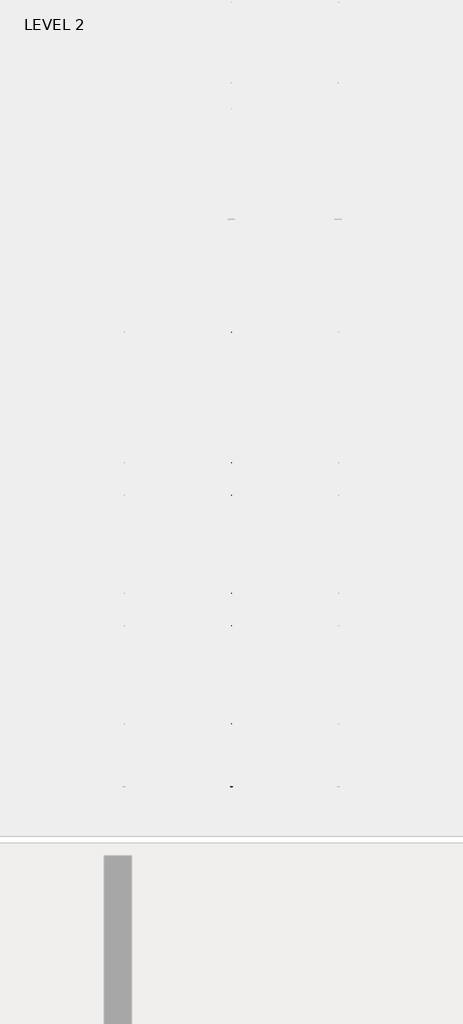
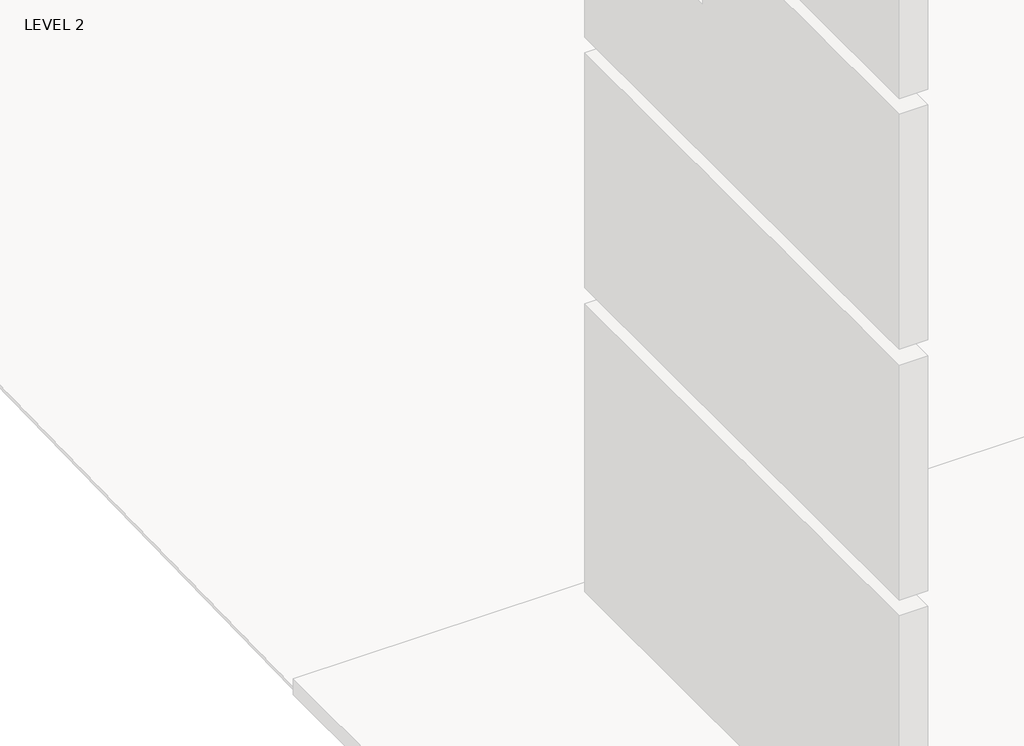
# One storey, part 8 of 67: 1 beam.
"""IFC4 building model written with IfcOpenShell, lengths in millimetres."""

from ifc_helpers import new_model, si_unit, frame, origin, place, context, project, spatial, polyline, outline, extrude, faceted_brep, element, save

model = new_model("IFC4")

# Units and contexts
model_context = context("Model", 3, world=origin())
ifc_project = project(units=[si_unit("LENGTHUNIT", "METRE", prefix="MILLI")], contexts=[model_context])

# Site, building, storey
site = spatial("IfcSite", under=ifc_project)
building = spatial("IfcBuilding", under=site)
storey = spatial("IfcBuildingStorey", under=building, Name="LEVEL 2", Elevation=6908.8)

# Beam
placement = place(None, origin())
element("IfcBeam", 1, ObjectType="K-Series Bar Joist-Angle Web : 12K3", at=placement, inside=storey, context=model_context, shape_type="SolidModel", body=[
    extrude(outline(polyline([(0.0, -9.525), (0.0, 0.0), (573.7533355, 0.0), (573.7533355, -9.525), (0.0, -9.525)])), frame((10027.4814942, -8385.0033276, 6286.2349986), z_axis=(0.0, -0.4812069235889801, 0.8766070366418636), x_axis=(0.0, -0.8766070366418636, -0.4812069235889801)), (0.0, 0.0, 1.0), 9.525),
    extrude(outline(polyline([(0.0, -9.525), (0.0, 0.0), (573.7533354, 0.0), (573.7533354, -9.525), (0.0, -9.525)])), frame((10017.9564942, -14433.5862351, 6173.8151677), z_axis=(0.0, 0.4483003415562167, 0.893882992209036), x_axis=(0.0, 0.893882992209036, -0.4483003415562167)), (0.0, 0.0, 1.0), 9.525),
    extrude(outline(polyline([(4.7625, 4.7625), (4.7625, -4.7625), (-4.7625, -4.7625), (-4.7625, 4.7625), (4.7625, 4.7625)])), frame((10022.7189942, -8890.2512868, 6014.3157621), z_axis=(0.0, 0.5430905498056039, 0.8396741360264987), x_axis=(-1.0, 0.0, 0.0)), (0.0, 0.0, 1.0), 321.5434366),
    extrude(outline(polyline([(4.7625, 4.7625), (4.7625, -4.7625), (-4.7625, -4.7625), (-4.7625, 4.7625), (4.7625, 4.7625)])), frame((10022.7189942, -13918.5828564, 5920.8584692), z_axis=(0.0, -0.5739172935728084, 0.8189132677750818), x_axis=(-1.0, 0.0, 0.0)), (0.0, 0.0, 1.0), 321.5434366),
    extrude(outline(polyline([(0.0, 0.0), (31.75, 0.0), (31.75, -6.35), (6.35, -6.35), (6.35, -31.75), (0.0, -31.75), (0.0, 0.0)])), frame((10027.4814942, -14020.0473107, 5912.6215396), z_axis=(0.0, 0.999827322368488, 0.018582934253221987), x_axis=(1.0, 0.0, 0.0)), (0.0, 0.0, 1.0), 5232.4),
    extrude(outline(polyline([(-9.525, 0.0), (-9.525, -31.75), (-15.875, -31.75), (-15.875, -6.35), (-41.275, -6.35), (-41.275, 0.0), (-9.525, 0.0)])), frame((10027.4814942, -14020.0473107, 5912.6215396), z_axis=(0.0, 0.999827322368488, 0.018582934253221987), x_axis=(1.0, 0.0, 0.0)), (0.0, 0.0, 1.0), 5232.4),
    extrude(outline(polyline([(-31.75, 0.0), (0.0, 0.0), (0.0, -6.35), (-25.4, -6.35), (-25.4, -31.75), (-31.75, -31.75), (-31.75, 0.0)])), frame((10059.2314942, -14532.4436525, 6144.4397419), z_axis=(0.0, 0.999827322368488, 0.018582934253221987), x_axis=(1.0, 0.0, 0.0)), (0.0, 0.0, 1.0), 101.6),
    extrude(outline(polyline([(-41.275, 0.0), (-41.275, -31.75), (-47.625, -31.75), (-47.625, -6.35), (-73.025, -6.35), (-73.025, 0.0), (-41.275, 0.0)])), frame((10059.2314942, -14532.4436525, 6144.4397419), z_axis=(0.0, 0.999827322368488, 0.018582934253221987), x_axis=(1.0, 0.0, 0.0)), (0.0, 0.0, 1.0), 101.6),
    extrude(outline(polyline([(0.0, 0.0), (31.75, 0.0), (31.75, -6.35), (6.35, -6.35), (6.35, -31.75), (0.0, -31.75), (0.0, 0.0)])), frame((10017.9564942, -8386.7050674, 6258.6653221), z_axis=(0.0, 0.999827322368488, 0.018582934253221987), x_axis=(0.0, -0.018582934253221987, 0.999827322368488)), (0.0, 0.0, 1.0), 101.6),
    extrude(outline(polyline([(0.0, 41.275), (6.35, 41.275), (6.35, 15.875), (31.75, 15.875), (31.75, 9.525), (0.0, 9.525), (0.0, 41.275)])), frame((10017.9564942, -8386.7050674, 6258.6653221), z_axis=(0.0, 0.999827322368488, 0.018582934253221987), x_axis=(0.0, -0.018582934253221987, 0.999827322368488)), (0.0, 0.0, 1.0), 101.6),
    extrude(outline(polyline([(0.0, 0.0), (31.7499999, 0.0), (31.7499999, -6.35), (6.35, -6.35), (6.35, -31.75), (0.0, -31.75), (0.0, 0.0)])), frame((10027.4814942, -14533.6236689, 6207.9287768), z_axis=(0.0, 0.999827322368488, 0.018582934253221987), x_axis=(0.0, 0.018582934253221987, -0.999827322368488)), (0.0, 0.0, 1.0), 6248.4),
    extrude(outline(polyline([(0.0, 9.525), (0.0, 41.275), (6.35, 41.275), (6.35, 15.875), (31.7499999, 15.875), (31.7499999, 9.525), (0.0, 9.525)])), frame((10027.4814942, -14533.6236689, 6207.9287768), z_axis=(0.0, 0.999827322368488, 0.018582934253221987), x_axis=(0.0, 0.018582934253221987, -0.999827322368488)), (0.0, 0.0, 1.0), 6248.4),
    faceted_brep([(10022.7189942, -8890.5462908, 6030.1880209), (10022.7189942, -8890.1922859, 6011.1413104), (10017.9564942, -8890.1922859, 6011.1413104), (10017.9564942, -8890.5462908, 6030.1880209), (10022.7189942, -8891.4911325, 6030.1704599), (10022.7189942, -9063.5686677, 6306.4204566), (10022.7189942, -9081.6705365, 6306.0840127), (10022.7189942, -9081.3165316, 6287.0373022), (10022.7189942, -9074.0227864, 6287.1728648), (10022.7189942, -8901.9452513, 6010.9228681), (10017.9564942, -8901.9452513, 6010.9228681), (10017.9564942, -8923.4549432, 6045.4541177), (10017.9564942, -8919.4125498, 6047.9721452), (10017.9564942, -9060.2032604, 6273.9948697), (10017.9564942, -9064.2456538, 6271.4768422), (10017.9564942, -9074.0227864, 6287.1728648), (10017.9564942, -9081.3165316, 6287.0373022), (10017.9564942, -9081.6705365, 6306.0840127), (10017.9564942, -9063.5686677, 6306.4204566), (10017.9564942, -8891.4911325, 6030.1704599), (10005.2564942, -9064.2456538, 6271.4768422), (10005.2564942, -8923.4549432, 6045.4541177), (10005.2564942, -8919.4125498, 6047.9721452), (10005.2564942, -9060.2032604, 6273.9948697)], [[[0, 1, 2, 3]], [[1, 0, 4, 5, 6, 7, 8, 9]], [[2, 1, 9, 10]], [[3, 2, 10, 11, 12, 13, 14, 15, 16, 17, 18, 19]], [[0, 3, 19, 4]], [[9, 8, 15, 14, 20, 21, 11, 10]], [[5, 4, 19, 18]], [[7, 6, 17, 16]], [[8, 7, 16, 15]], [[6, 5, 18, 17]], [[21, 22, 12, 11]], [[20, 14, 13, 23]], [[22, 21, 20, 23]], [[12, 22, 23, 13]]]),
    extrude(outline(polyline([(-9249.3588266, 6004.4657895), (-9249.7128315, 6023.5125), (-9248.7679898, 6023.5300609), (-9087.0745983, 6305.983572), (-9068.9727295, 6306.3200159), (-9068.6187246, 6287.2733054), (-9075.9124698, 6287.1377428), (-9237.6058613, 6004.6842318), (-9249.3588266, 6004.4657895)])), frame((10022.7189942, 0.0, 0.0), z_axis=(1.0, 0.0, 0.0), x_axis=(0.0, 1.0, 0.0)), (0.0, 0.0, 1.0), 4.7625),
    extrude(outline(polyline([(-4.7625, 4.7624999), (-4.7625, 0.0), (-17.4625, 0.0), (-17.4625, 4.7624999), (-4.7625, 4.7624999)])), frame((10022.7189942, -9217.3941874, 6039.9909207), z_axis=(0.0, 0.49681370722983265, 0.8678572119355523), x_axis=(-1.0, 0.0, 0.0)), (0.0, 0.0, 1.0), 266.2861172),
    faceted_brep([(10022.7189942, -13559.7113198, 5943.4062489), (10022.7189942, -13559.3573149, 5924.3595384), (10017.9564942, -13559.3573149, 5924.3595384), (10017.9564942, -13559.7113198, 5943.4062489), (10022.7189942, -13560.6561615, 5943.3886879), (10022.7189942, -13732.7336967, 6219.6386846), (10022.7189942, -13750.8355655, 6219.3022406), (10022.7189942, -13750.4815606, 6200.2555302), (10022.7189942, -13743.1878154, 6200.3910927), (10022.7189942, -13571.1102802, 5924.1410961), (10017.9564942, -13571.1102802, 5924.1410961), (10017.9564942, -13592.6199721, 5958.6723457), (10017.9564942, -13588.5775788, 5961.1903731), (10017.9564942, -13729.3682894, 6187.2130977), (10017.9564942, -13733.4106827, 6184.6950702), (10017.9564942, -13743.1878154, 6200.3910927), (10017.9564942, -13750.4815606, 6200.2555302), (10017.9564942, -13750.8355655, 6219.3022406), (10017.9564942, -13732.7336967, 6219.6386846), (10017.9564942, -13560.6561615, 5943.3886879), (10005.2564942, -13733.4106827, 6184.6950702), (10005.2564942, -13592.6199721, 5958.6723457), (10005.2564942, -13588.5775788, 5961.1903731), (10005.2564942, -13729.3682894, 6187.2130977)], [[[0, 1, 2, 3]], [[1, 0, 4, 5, 6, 7, 8, 9]], [[2, 1, 9, 10]], [[3, 2, 10, 11, 12, 13, 14, 15, 16, 17, 18, 19]], [[0, 3, 19, 4]], [[9, 8, 15, 14, 20, 21, 11, 10]], [[5, 4, 19, 18]], [[7, 6, 17, 16]], [[8, 7, 16, 15]], [[6, 5, 18, 17]], [[21, 22, 12, 11]], [[20, 14, 13, 23]], [[22, 21, 20, 23]], [[12, 22, 23, 13]]]),
    extrude(outline(polyline([(-13918.5238556, 5917.6840175), (-13918.8778605, 5936.7307279), (-13917.9330188, 5936.7482889), (-13756.2396273, 6219.2018), (-13738.1377585, 6219.5382439), (-13737.7837536, 6200.4915334), (-13745.0774988, 6200.3559708), (-13906.7708903, 5917.9024598), (-13918.5238556, 5917.6840175)])), frame((10022.7189942, 0.0, 0.0), z_axis=(1.0, 0.0, 0.0), x_axis=(0.0, 1.0, 0.0)), (0.0, 0.0, 1.0), 4.7625),
    extrude(outline(polyline([(-4.7625, 4.7625), (-4.7625, 0.0), (-17.4625, 0.0), (-17.4625, 4.7625), (-4.7625, 4.7625)])), frame((10022.7189942, -13886.5592163, 5953.2091486), z_axis=(0.0, 0.49681370722983265, 0.8678572119355523), x_axis=(-1.0, 0.0, 0.0)), (0.0, 0.0, 1.0), 266.2861172),
    faceted_brep([(10022.7189942, -9249.7128315, 6023.5125), (10022.7189942, -9249.3588266, 6004.4657895), (10017.9564942, -9249.3588266, 6004.4657895), (10017.9564942, -9249.7128315, 6023.5125), (10022.7189942, -9250.6576732, 6023.494939), (10022.7189942, -9422.7352084, 6299.7449357), (10022.7189942, -9440.8370772, 6299.4084917), (10022.7189942, -9440.4830723, 6280.3617813), (10022.7189942, -9433.1893271, 6280.4973438), (10022.7189942, -9261.1117919, 6004.2473472), (10017.9564942, -9261.1117919, 6004.2473472), (10017.9564942, -9282.6214838, 6038.7785968), (10017.9564942, -9278.5790905, 6041.2966242), (10017.9564942, -9419.3698011, 6267.3193488), (10017.9564942, -9423.4121944, 6264.8013213), (10017.9564942, -9433.1893271, 6280.4973438), (10017.9564942, -9440.4830723, 6280.3617813), (10017.9564942, -9440.8370772, 6299.4084917), (10017.9564942, -9422.7352084, 6299.7449357), (10017.9564942, -9250.6576732, 6023.494939), (10005.2564942, -9423.4121944, 6264.8013213), (10005.2564942, -9282.6214838, 6038.7785968), (10005.2564942, -9278.5790905, 6041.2966242), (10005.2564942, -9419.3698011, 6267.3193488)], [[[0, 1, 2, 3]], [[1, 0, 4, 5, 6, 7, 8, 9]], [[2, 1, 9, 10]], [[3, 2, 10, 11, 12, 13, 14, 15, 16, 17, 18, 19]], [[0, 3, 19, 4]], [[9, 8, 15, 14, 20, 21, 11, 10]], [[5, 4, 19, 18]], [[7, 6, 17, 16]], [[8, 7, 16, 15]], [[6, 5, 18, 17]], [[21, 22, 12, 11]], [[20, 14, 13, 23]], [[22, 21, 20, 23]], [[12, 22, 23, 13]]]),
    extrude(outline(polyline([(-9608.5253673, 5997.7902686), (-9608.8793722, 6016.836979), (-9607.9345305, 6016.85454), (-9446.241139, 6299.3080511), (-9428.1392702, 6299.644495), (-9427.7852653, 6280.5977845), (-9435.0790105, 6280.4622219), (-9596.772402, 5998.0087109), (-9608.5253673, 5997.7902686)])), frame((10022.7189942, 0.0, 0.0), z_axis=(1.0, 0.0, 0.0), x_axis=(0.0, 1.0, 0.0)), (0.0, 0.0, 1.0), 4.7625),
    extrude(outline(polyline([(-4.7625, 4.7624999), (-4.7625, 0.0), (-17.4625, 0.0), (-17.4625, 4.7624999), (-4.7625, 4.7624999)])), frame((10022.7189942, -9576.5607281, 6033.3153997), z_axis=(0.0, 0.49681370722983265, 0.8678572119355523), x_axis=(-1.0, 0.0, 0.0)), (0.0, 0.0, 1.0), 266.2861172),
    faceted_brep([(10022.7189942, -9608.8793722, 6016.836979), (10022.7189942, -9608.5253673, 5997.7902686), (10017.9564942, -9608.5253673, 5997.7902686), (10017.9564942, -9608.8793722, 6016.836979), (10022.7189942, -9609.8242139, 6016.8194181), (10022.7189942, -9781.9017491, 6293.0694148), (10022.7189942, -9800.0036179, 6292.7329708), (10022.7189942, -9799.649613, 6273.6862603), (10022.7189942, -9792.3558678, 6273.8218229), (10022.7189942, -9620.2783326, 5997.5718262), (10017.9564942, -9620.2783326, 5997.5718262), (10017.9564942, -9641.7880245, 6032.1030758), (10017.9564942, -9637.7456312, 6034.6211033), (10017.9564942, -9778.5363418, 6260.6438279), (10017.9564942, -9782.5787351, 6258.1258004), (10017.9564942, -9792.3558678, 6273.8218229), (10017.9564942, -9799.649613, 6273.6862603), (10017.9564942, -9800.0036179, 6292.7329708), (10017.9564942, -9781.9017491, 6293.0694148), (10017.9564942, -9609.8242139, 6016.8194181), (10005.2564942, -9782.5787351, 6258.1258004), (10005.2564942, -9641.7880245, 6032.1030758), (10005.2564942, -9637.7456312, 6034.6211033), (10005.2564942, -9778.5363418, 6260.6438279)], [[[0, 1, 2, 3]], [[1, 0, 4, 5, 6, 7, 8, 9]], [[2, 1, 9, 10]], [[3, 2, 10, 11, 12, 13, 14, 15, 16, 17, 18, 19]], [[0, 3, 19, 4]], [[9, 8, 15, 14, 20, 21, 11, 10]], [[5, 4, 19, 18]], [[7, 6, 17, 16]], [[8, 7, 16, 15]], [[6, 5, 18, 17]], [[21, 22, 12, 11]], [[20, 14, 13, 23]], [[22, 21, 20, 23]], [[12, 22, 23, 13]]]),
    extrude(outline(polyline([(-9967.691908, 5991.1147476), (-9968.0459129, 6010.1614581), (-9967.1010712, 6010.1790191), (-9805.4076797, 6292.6325301), (-9787.3058109, 6292.9689741), (-9786.951806, 6273.9222636), (-9794.2455512, 6273.786701), (-9955.9389427, 5991.3331899), (-9967.691908, 5991.1147476)])), frame((10022.7189942, 0.0, 0.0), z_axis=(1.0, 0.0, 0.0), x_axis=(0.0, 1.0, 0.0)), (0.0, 0.0, 1.0), 4.7625),
    extrude(outline(polyline([(-4.7625, 4.7625), (-4.7625, 0.0), (-17.4625, 0.0), (-17.4625, 4.7625), (-4.7625, 4.7625)])), frame((10022.7189942, -9935.7272687, 6026.6398788), z_axis=(0.0, 0.49681370722983265, 0.8678572119355523), x_axis=(-1.0, 0.0, 0.0)), (0.0, 0.0, 1.0), 266.2861172),
    faceted_brep([(10022.7189942, -9968.0459129, 6010.1614581), (10022.7189942, -9967.691908, 5991.1147476), (10017.9564942, -9967.691908, 5991.1147476), (10017.9564942, -9968.0459129, 6010.1614581), (10022.7189942, -9968.9907546, 6010.1438972), (10022.7189942, -10141.0682898, 6286.3938938), (10022.7189942, -10159.1701586, 6286.0574499), (10022.7189942, -10158.8161537, 6267.0107394), (10022.7189942, -10151.5224085, 6267.146302), (10022.7189942, -9979.4448733, 5990.8963053), (10017.9564942, -9979.4448733, 5990.8963053), (10017.9564942, -10000.9545652, 6025.4275549), (10017.9564942, -9996.9121719, 6027.9455824), (10017.9564942, -10137.7028825, 6253.9683069), (10017.9564942, -10141.7452758, 6251.4502795), (10017.9564942, -10151.5224085, 6267.146302), (10017.9564942, -10158.8161537, 6267.0107394), (10017.9564942, -10159.1701586, 6286.0574499), (10017.9564942, -10141.0682898, 6286.3938938), (10017.9564942, -9968.9907546, 6010.1438972), (10005.2564942, -10141.7452758, 6251.4502795), (10005.2564942, -10000.9545652, 6025.4275549), (10005.2564942, -9996.9121719, 6027.9455824), (10005.2564942, -10137.7028825, 6253.9683069)], [[[0, 1, 2, 3]], [[1, 0, 4, 5, 6, 7, 8, 9]], [[2, 1, 9, 10]], [[3, 2, 10, 11, 12, 13, 14, 15, 16, 17, 18, 19]], [[0, 3, 19, 4]], [[9, 8, 15, 14, 20, 21, 11, 10]], [[5, 4, 19, 18]], [[7, 6, 17, 16]], [[8, 7, 16, 15]], [[6, 5, 18, 17]], [[21, 22, 12, 11]], [[20, 14, 13, 23]], [[22, 21, 20, 23]], [[12, 22, 23, 13]]]),
    extrude(outline(polyline([(-10326.8584487, 5984.4392267), (-10327.2124536, 6003.4859372), (-10326.2676119, 6003.5034982), (-10164.5742204, 6285.9570092), (-10146.4723516, 6286.2934532), (-10146.1183467, 6267.2467427), (-10153.4120919, 6267.1111801), (-10315.1054834, 5984.657669), (-10326.8584487, 5984.4392267)])), frame((10022.7189942, 0.0, 0.0), z_axis=(1.0, 0.0, 0.0), x_axis=(0.0, 1.0, 0.0)), (0.0, 0.0, 1.0), 4.7625),
    extrude(outline(polyline([(-4.7625, 4.7625), (-4.7625, 0.0), (-17.4625, 0.0), (-17.4625, 4.7625), (-4.7625, 4.7625)])), frame((10022.7189942, -10294.8938094, 6019.9643579), z_axis=(0.0, 0.49681370722983265, 0.8678572119355523), x_axis=(-1.0, 0.0, 0.0)), (0.0, 0.0, 1.0), 266.2861172),
    faceted_brep([(10022.7189942, -10327.2124536, 6003.4859372), (10022.7189942, -10326.8584487, 5984.4392267), (10017.9564942, -10326.8584487, 5984.4392267), (10017.9564942, -10327.2124536, 6003.4859372), (10022.7189942, -10328.1572953, 6003.4683762), (10022.7189942, -10500.2348305, 6279.7183729), (10022.7189942, -10518.3366993, 6279.381929), (10022.7189942, -10517.9826944, 6260.3352185), (10022.7189942, -10510.6889492, 6260.4707811), (10022.7189942, -10338.611414, 5984.2207844), (10017.9564942, -10338.611414, 5984.2207844), (10017.9564942, -10360.1211059, 6018.752034), (10017.9564942, -10356.0787126, 6021.2700615), (10017.9564942, -10496.8694232, 6247.292786), (10017.9564942, -10500.9118165, 6244.7747585), (10017.9564942, -10510.6889492, 6260.4707811), (10017.9564942, -10517.9826944, 6260.3352185), (10017.9564942, -10518.3366993, 6279.381929), (10017.9564942, -10500.2348305, 6279.7183729), (10017.9564942, -10328.1572953, 6003.4683762), (10005.2564942, -10500.9118165, 6244.7747585), (10005.2564942, -10360.1211059, 6018.752034), (10005.2564942, -10356.0787126, 6021.2700615), (10005.2564942, -10496.8694232, 6247.292786)], [[[0, 1, 2, 3]], [[1, 0, 4, 5, 6, 7, 8, 9]], [[2, 1, 9, 10]], [[3, 2, 10, 11, 12, 13, 14, 15, 16, 17, 18, 19]], [[0, 3, 19, 4]], [[9, 8, 15, 14, 20, 21, 11, 10]], [[5, 4, 19, 18]], [[7, 6, 17, 16]], [[8, 7, 16, 15]], [[6, 5, 18, 17]], [[21, 22, 12, 11]], [[20, 14, 13, 23]], [[22, 21, 20, 23]], [[12, 22, 23, 13]]]),
    extrude(outline(polyline([(-10686.0249894, 5977.7637058), (-10686.3789943, 5996.8104163), (-10685.4341526, 5996.8279772), (-10523.7407611, 6279.2814883), (-10505.6388923, 6279.6179322), (-10505.2848874, 6260.5712217), (-10512.5786325, 6260.4356591), (-10674.2720241, 5977.9821481), (-10686.0249894, 5977.7637058)])), frame((10022.7189942, 0.0, 0.0), z_axis=(1.0, 0.0, 0.0), x_axis=(0.0, 1.0, 0.0)), (0.0, 0.0, 1.0), 4.7625),
    extrude(outline(polyline([(-4.7625, 4.7625), (-4.7625, 0.0), (-17.4625, 0.0), (-17.4625, 4.7625), (-4.7625, 4.7625)])), frame((10022.7189942, -10654.0603501, 6013.288837), z_axis=(0.0, 0.49681370722983265, 0.8678572119355523), x_axis=(-1.0, 0.0, 0.0)), (0.0, 0.0, 1.0), 266.2861172),
    faceted_brep([(10022.7189942, -10686.3789943, 5996.8104163), (10022.7189942, -10686.0249894, 5977.7637058), (10017.9564942, -10686.0249894, 5977.7637058), (10017.9564942, -10686.3789943, 5996.8104163), (10022.7189942, -10687.323836, 5996.7928553), (10022.7189942, -10859.4013711, 6273.042852), (10022.7189942, -10877.50324, 6272.706408), (10022.7189942, -10877.1492351, 6253.6596976), (10022.7189942, -10869.8554899, 6253.7952601), (10022.7189942, -10697.7779547, 5977.5452635), (10017.9564942, -10697.7779547, 5977.5452635), (10017.9564942, -10719.2876466, 6012.0765131), (10017.9564942, -10715.2452533, 6014.5945405), (10017.9564942, -10856.0359639, 6240.6172651), (10017.9564942, -10860.0783572, 6238.0992376), (10017.9564942, -10869.8554899, 6253.7952601), (10017.9564942, -10877.1492351, 6253.6596976), (10017.9564942, -10877.50324, 6272.706408), (10017.9564942, -10859.4013711, 6273.042852), (10017.9564942, -10687.323836, 5996.7928553), (10005.2564942, -10860.0783572, 6238.0992376), (10005.2564942, -10719.2876466, 6012.0765131), (10005.2564942, -10715.2452533, 6014.5945405), (10005.2564942, -10856.0359639, 6240.6172651)], [[[0, 1, 2, 3]], [[1, 0, 4, 5, 6, 7, 8, 9]], [[2, 1, 9, 10]], [[3, 2, 10, 11, 12, 13, 14, 15, 16, 17, 18, 19]], [[0, 3, 19, 4]], [[9, 8, 15, 14, 20, 21, 11, 10]], [[5, 4, 19, 18]], [[7, 6, 17, 16]], [[8, 7, 16, 15]], [[6, 5, 18, 17]], [[21, 22, 12, 11]], [[20, 14, 13, 23]], [[22, 21, 20, 23]], [[12, 22, 23, 13]]]),
    extrude(outline(polyline([(-11045.1915301, 5971.0881849), (-11045.545535, 5990.1348953), (-11044.6006933, 5990.1524563), (-10882.9073018, 6272.6059674), (-10864.805433, 6272.9424113), (-10864.4514281, 6253.8957008), (-10871.7451732, 6253.7601382), (-11033.4385648, 5971.3066272), (-11045.1915301, 5971.0881849)])), frame((10022.7189942, 0.0, 0.0), z_axis=(1.0, 0.0, 0.0), x_axis=(0.0, 1.0, 0.0)), (0.0, 0.0, 1.0), 4.7625),
    extrude(outline(polyline([(-4.7625, 4.7625), (-4.7625, 0.0), (-17.4625, 0.0), (-17.4625, 4.7625), (-4.7625, 4.7625)])), frame((10022.7189942, -11013.2268908, 6006.613316), z_axis=(0.0, 0.49681370722983265, 0.8678572119355523), x_axis=(-1.0, 0.0, 0.0)), (0.0, 0.0, 1.0), 266.2861172),
    faceted_brep([(10022.7189942, -11045.545535, 5990.1348953), (10022.7189942, -11045.1915301, 5971.0881849), (10017.9564942, -11045.1915301, 5971.0881849), (10017.9564942, -11045.545535, 5990.1348953), (10022.7189942, -11046.4903766, 5990.1173344), (10022.7189942, -11218.5679118, 6266.3673311), (10022.7189942, -11236.6697806, 6266.0308871), (10022.7189942, -11236.3157757, 6246.9841766), (10022.7189942, -11229.0220306, 6247.1197392), (10022.7189942, -11056.9444954, 5970.8697426), (10017.9564942, -11056.9444954, 5970.8697426), (10017.9564942, -11078.4541873, 6005.4009921), (10017.9564942, -11074.411794, 6007.9190196), (10017.9564942, -11215.2025046, 6233.9417442), (10017.9564942, -11219.2448979, 6231.4237167), (10017.9564942, -11229.0220306, 6247.1197392), (10017.9564942, -11236.3157757, 6246.9841766), (10017.9564942, -11236.6697806, 6266.0308871), (10017.9564942, -11218.5679118, 6266.3673311), (10017.9564942, -11046.4903766, 5990.1173344), (10005.2564942, -11219.2448979, 6231.4237167), (10005.2564942, -11078.4541873, 6005.4009921), (10005.2564942, -11074.411794, 6007.9190196), (10005.2564942, -11215.2025046, 6233.9417442)], [[[0, 1, 2, 3]], [[1, 0, 4, 5, 6, 7, 8, 9]], [[2, 1, 9, 10]], [[3, 2, 10, 11, 12, 13, 14, 15, 16, 17, 18, 19]], [[0, 3, 19, 4]], [[9, 8, 15, 14, 20, 21, 11, 10]], [[5, 4, 19, 18]], [[7, 6, 17, 16]], [[8, 7, 16, 15]], [[6, 5, 18, 17]], [[21, 22, 12, 11]], [[20, 14, 13, 23]], [[22, 21, 20, 23]], [[12, 22, 23, 13]]]),
    extrude(outline(polyline([(-11404.3580708, 5964.4126639), (-11404.7120757, 5983.4593744), (-11403.767234, 5983.4769354), (-11242.0738425, 6265.9304464), (-11223.9719737, 6266.2668904), (-11223.6179688, 6247.2201799), (-11230.9117139, 6247.0846173), (-11392.6051054, 5964.6311062), (-11404.3580708, 5964.4126639)])), frame((10022.7189942, 0.0, 0.0), z_axis=(1.0, 0.0, 0.0), x_axis=(0.0, 1.0, 0.0)), (0.0, 0.0, 1.0), 4.7625),
    extrude(outline(polyline([(-4.7625, 4.7625), (-4.7625, 0.0), (-17.4625, 0.0), (-17.4625, 4.7625), (-4.7625, 4.7625)])), frame((10022.7189942, -11372.3934315, 5999.9377951), z_axis=(0.0, 0.49681370722983265, 0.8678572119355523), x_axis=(-1.0, 0.0, 0.0)), (0.0, 0.0, 1.0), 266.2861172),
    faceted_brep([(10022.7189942, -11404.7120757, 5983.4593744), (10022.7189942, -11404.3580708, 5964.4126639), (10017.9564942, -11404.3580708, 5964.4126639), (10017.9564942, -11404.7120757, 5983.4593744), (10022.7189942, -11405.6569173, 5983.4418135), (10022.7189942, -11577.7344525, 6259.6918101), (10022.7189942, -11595.8363213, 6259.3553662), (10022.7189942, -11595.4823164, 6240.3086557), (10022.7189942, -11588.1885713, 6240.4442183), (10022.7189942, -11416.1110361, 5964.1942216), (10017.9564942, -11416.1110361, 5964.1942216), (10017.9564942, -11437.620728, 5998.7254712), (10017.9564942, -11433.5783346, 6001.2434987), (10017.9564942, -11574.3690452, 6227.2662232), (10017.9564942, -11578.4114386, 6224.7481958), (10017.9564942, -11588.1885713, 6240.4442183), (10017.9564942, -11595.4823164, 6240.3086557), (10017.9564942, -11595.8363213, 6259.3553662), (10017.9564942, -11577.7344525, 6259.6918101), (10017.9564942, -11405.6569173, 5983.4418135), (10005.2564942, -11578.4114386, 6224.7481958), (10005.2564942, -11437.620728, 5998.7254712), (10005.2564942, -11433.5783346, 6001.2434987), (10005.2564942, -11574.3690452, 6227.2662232)], [[[0, 1, 2, 3]], [[1, 0, 4, 5, 6, 7, 8, 9]], [[2, 1, 9, 10]], [[3, 2, 10, 11, 12, 13, 14, 15, 16, 17, 18, 19]], [[0, 3, 19, 4]], [[9, 8, 15, 14, 20, 21, 11, 10]], [[5, 4, 19, 18]], [[7, 6, 17, 16]], [[8, 7, 16, 15]], [[6, 5, 18, 17]], [[21, 22, 12, 11]], [[20, 14, 13, 23]], [[22, 21, 20, 23]], [[12, 22, 23, 13]]]),
    extrude(outline(polyline([(-11763.5246115, 5957.737143), (-11763.8786164, 5976.7838535), (-11762.9337747, 5976.8014145), (-11601.2403832, 6259.2549255), (-11583.1385143, 6259.5913695), (-11582.7845094, 6240.544659), (-11590.0782546, 6240.4090964), (-11751.7716461, 5957.9555853), (-11763.5246115, 5957.737143)])), frame((10022.7189942, 0.0, 0.0), z_axis=(1.0, 0.0, 0.0), x_axis=(0.0, 1.0, 0.0)), (0.0, 0.0, 1.0), 4.7625),
    extrude(outline(polyline([(-4.7625, 4.7625), (-4.7625, 0.0), (-17.4625, 0.0), (-17.4625, 4.7625), (-4.7625, 4.7625)])), frame((10022.7189942, -11731.5599722, 5993.2622742), z_axis=(0.0, 0.49681370722983265, 0.8678572119355523), x_axis=(-1.0, 0.0, 0.0)), (0.0, 0.0, 1.0), 266.2861172),
    faceted_brep([(10022.7189942, -11763.8786164, 5976.7838535), (10022.7189942, -11763.5246115, 5957.737143), (10017.9564942, -11763.5246115, 5957.737143), (10017.9564942, -11763.8786164, 5976.7838535), (10022.7189942, -11764.823458, 5976.7662925), (10022.7189942, -11936.9009932, 6253.0162892), (10022.7189942, -11955.002862, 6252.6798453), (10022.7189942, -11954.6488571, 6233.6331348), (10022.7189942, -11947.355112, 6233.7686974), (10022.7189942, -11775.2775768, 5957.5187007), (10017.9564942, -11775.2775768, 5957.5187007), (10017.9564942, -11796.7872687, 5992.0499503), (10017.9564942, -11792.7448753, 5994.5679778), (10017.9564942, -11933.5355859, 6220.5907023), (10017.9564942, -11937.5779793, 6218.0726748), (10017.9564942, -11947.355112, 6233.7686974), (10017.9564942, -11954.6488571, 6233.6331348), (10017.9564942, -11955.002862, 6252.6798453), (10017.9564942, -11936.9009932, 6253.0162892), (10017.9564942, -11764.823458, 5976.7662925), (10005.2564942, -11937.5779793, 6218.0726748), (10005.2564942, -11796.7872687, 5992.0499503), (10005.2564942, -11792.7448753, 5994.5679778), (10005.2564942, -11933.5355859, 6220.5907023)], [[[0, 1, 2, 3]], [[1, 0, 4, 5, 6, 7, 8, 9]], [[2, 1, 9, 10]], [[3, 2, 10, 11, 12, 13, 14, 15, 16, 17, 18, 19]], [[0, 3, 19, 4]], [[9, 8, 15, 14, 20, 21, 11, 10]], [[5, 4, 19, 18]], [[7, 6, 17, 16]], [[8, 7, 16, 15]], [[6, 5, 18, 17]], [[21, 22, 12, 11]], [[20, 14, 13, 23]], [[22, 21, 20, 23]], [[12, 22, 23, 13]]]),
    extrude(outline(polyline([(-12122.6911521, 5951.0616221), (-12123.045157, 5970.1083326), (-12122.1003154, 5970.1258935), (-11960.4069238, 6252.5794046), (-11942.305055, 6252.9158485), (-11941.9510501, 6233.869138), (-11949.2447953, 6233.7335754), (-12110.9381868, 5951.2800644), (-12122.6911521, 5951.0616221)])), frame((10022.7189942, 0.0, 0.0), z_axis=(1.0, 0.0, 0.0), x_axis=(0.0, 1.0, 0.0)), (0.0, 0.0, 1.0), 4.7625),
    extrude(outline(polyline([(-4.7625, 4.7625), (-4.7625, 0.0), (-17.4625, 0.0), (-17.4625, 4.7625), (-4.7625, 4.7625)])), frame((10022.7189942, -12090.7265129, 5986.5867533), z_axis=(0.0, 0.49681370722983265, 0.8678572119355523), x_axis=(-1.0, 0.0, 0.0)), (0.0, 0.0, 1.0), 266.2861172),
    faceted_brep([(10022.7189942, -12123.045157, 5970.1083326), (10022.7189942, -12122.6911521, 5951.0616221), (10017.9564942, -12122.6911521, 5951.0616221), (10017.9564942, -12123.045157, 5970.1083326), (10022.7189942, -12123.9899987, 5970.0907716), (10022.7189942, -12296.0675339, 6246.3407683), (10022.7189942, -12314.1694027, 6246.0043243), (10022.7189942, -12313.8153978, 6226.9576139), (10022.7189942, -12306.5216526, 6227.0931764), (10022.7189942, -12134.4441175, 5950.8431798), (10017.9564942, -12134.4441175, 5950.8431798), (10017.9564942, -12155.9538094, 5985.3744294), (10017.9564942, -12151.911416, 5987.8924568), (10017.9564942, -12292.7021266, 6213.9151814), (10017.9564942, -12296.74452, 6211.3971539), (10017.9564942, -12306.5216526, 6227.0931764), (10017.9564942, -12313.8153978, 6226.9576139), (10017.9564942, -12314.1694027, 6246.0043243), (10017.9564942, -12296.0675339, 6246.3407683), (10017.9564942, -12123.9899987, 5970.0907716), (10005.2564942, -12296.74452, 6211.3971539), (10005.2564942, -12155.9538094, 5985.3744294), (10005.2564942, -12151.911416, 5987.8924568), (10005.2564942, -12292.7021266, 6213.9151814)], [[[0, 1, 2, 3]], [[1, 0, 4, 5, 6, 7, 8, 9]], [[2, 1, 9, 10]], [[3, 2, 10, 11, 12, 13, 14, 15, 16, 17, 18, 19]], [[0, 3, 19, 4]], [[9, 8, 15, 14, 20, 21, 11, 10]], [[5, 4, 19, 18]], [[7, 6, 17, 16]], [[8, 7, 16, 15]], [[6, 5, 18, 17]], [[21, 22, 12, 11]], [[20, 14, 13, 23]], [[22, 21, 20, 23]], [[12, 22, 23, 13]]]),
    extrude(outline(polyline([(-12481.8576928, 5944.3861012), (-12482.2116977, 5963.4328116), (-12481.2668561, 5963.4503726), (-12319.5734645, 6245.9038837), (-12301.4715957, 6246.2403276), (-12301.1175908, 6227.1936171), (-12308.411336, 6227.0580545), (-12470.1047275, 5944.6045435), (-12481.8576928, 5944.3861012)])), frame((10022.7189942, 0.0, 0.0), z_axis=(1.0, 0.0, 0.0), x_axis=(0.0, 1.0, 0.0)), (0.0, 0.0, 1.0), 4.7625),
    extrude(outline(polyline([(-4.7625, 4.7624999), (-4.7625, 0.0), (-17.4625, 0.0), (-17.4625, 4.7624999), (-4.7625, 4.7624999)])), frame((10022.7189942, -12449.8930536, 5979.9112323), z_axis=(0.0, 0.49681370722983265, 0.8678572119355523), x_axis=(-1.0, 0.0, 0.0)), (0.0, 0.0, 1.0), 266.2861172),
    faceted_brep([(10022.7189942, -12482.2116977, 5963.4328116), (10022.7189942, -12481.8576928, 5944.3861012), (10017.9564942, -12481.8576928, 5944.3861012), (10017.9564942, -12482.2116977, 5963.4328116), (10022.7189942, -12483.1565394, 5963.4152507), (10022.7189942, -12655.2340746, 6239.6652474), (10022.7189942, -12673.3359434, 6239.3288034), (10022.7189942, -12672.9819385, 6220.2820929), (10022.7189942, -12665.6881933, 6220.4176555), (10022.7189942, -12493.6106582, 5944.1676589), (10017.9564942, -12493.6106582, 5944.1676589), (10017.9564942, -12515.12035, 5978.6989084), (10017.9564942, -12511.0779567, 5981.2169359), (10017.9564942, -12651.8686673, 6207.2396605), (10017.9564942, -12655.9110607, 6204.721633), (10017.9564942, -12665.6881933, 6220.4176555), (10017.9564942, -12672.9819385, 6220.2820929), (10017.9564942, -12673.3359434, 6239.3288034), (10017.9564942, -12655.2340746, 6239.6652474), (10017.9564942, -12483.1565394, 5963.4152507), (10005.2564942, -12655.9110607, 6204.721633), (10005.2564942, -12515.12035, 5978.6989084), (10005.2564942, -12511.0779567, 5981.2169359), (10005.2564942, -12651.8686673, 6207.2396605)], [[[0, 1, 2, 3]], [[1, 0, 4, 5, 6, 7, 8, 9]], [[2, 1, 9, 10]], [[3, 2, 10, 11, 12, 13, 14, 15, 16, 17, 18, 19]], [[0, 3, 19, 4]], [[9, 8, 15, 14, 20, 21, 11, 10]], [[5, 4, 19, 18]], [[7, 6, 17, 16]], [[8, 7, 16, 15]], [[6, 5, 18, 17]], [[21, 22, 12, 11]], [[20, 14, 13, 23]], [[22, 21, 20, 23]], [[12, 22, 23, 13]]]),
    extrude(outline(polyline([(-12841.0242335, 5937.7105802), (-12841.3782384, 5956.7572907), (-12840.4333967, 5956.7748517), (-12678.7400052, 6239.2283627), (-12660.6381364, 6239.5648067), (-12660.2841315, 6220.5180962), (-12667.5778767, 6220.3825336), (-12829.2712682, 5937.9290225), (-12841.0242335, 5937.7105802)])), frame((10022.7189942, 0.0, 0.0), z_axis=(1.0, 0.0, 0.0), x_axis=(0.0, 1.0, 0.0)), (0.0, 0.0, 1.0), 4.7625),
    extrude(outline(polyline([(-4.7625, 4.7624999), (-4.7625, 0.0), (-17.4625, 0.0), (-17.4625, 4.7624999), (-4.7625, 4.7624999)])), frame((10022.7189942, -12809.0595943, 5973.2357114), z_axis=(0.0, 0.49681370722983265, 0.8678572119355523), x_axis=(-1.0, 0.0, 0.0)), (0.0, 0.0, 1.0), 266.2861172),
    faceted_brep([(10022.7189942, -12841.3782384, 5956.7572907), (10022.7189942, -12841.0242335, 5937.7105802), (10017.9564942, -12841.0242335, 5937.7105802), (10017.9564942, -12841.3782384, 5956.7572907), (10022.7189942, -12842.3230801, 5956.7397298), (10022.7189942, -13014.4006153, 6232.9897264), (10022.7189942, -13032.5024841, 6232.6532825), (10022.7189942, -13032.1484792, 6213.606572), (10022.7189942, -13024.854734, 6213.7421346), (10022.7189942, -12852.7771988, 5937.4921379), (10017.9564942, -12852.7771988, 5937.4921379), (10017.9564942, -12874.2868907, 5972.0233875), (10017.9564942, -12870.2444974, 5974.541415), (10017.9564942, -13011.035208, 6200.5641395), (10017.9564942, -13015.0776013, 6198.0461121), (10017.9564942, -13024.854734, 6213.7421346), (10017.9564942, -13032.1484792, 6213.606572), (10017.9564942, -13032.5024841, 6232.6532825), (10017.9564942, -13014.4006153, 6232.9897264), (10017.9564942, -12842.3230801, 5956.7397298), (10005.2564942, -13015.0776013, 6198.0461121), (10005.2564942, -12874.2868907, 5972.0233875), (10005.2564942, -12870.2444974, 5974.541415), (10005.2564942, -13011.035208, 6200.5641395)], [[[0, 1, 2, 3]], [[1, 0, 4, 5, 6, 7, 8, 9]], [[2, 1, 9, 10]], [[3, 2, 10, 11, 12, 13, 14, 15, 16, 17, 18, 19]], [[0, 3, 19, 4]], [[9, 8, 15, 14, 20, 21, 11, 10]], [[5, 4, 19, 18]], [[7, 6, 17, 16]], [[8, 7, 16, 15]], [[6, 5, 18, 17]], [[21, 22, 12, 11]], [[20, 14, 13, 23]], [[22, 21, 20, 23]], [[12, 22, 23, 13]]]),
    extrude(outline(polyline([(-13200.1907742, 5931.0350593), (-13200.5447791, 5950.0817698), (-13199.5999374, 5950.0993308), (-13037.9065459, 6232.5528418), (-13019.8046771, 6232.8892858), (-13019.4506722, 6213.8425753), (-13026.7444174, 6213.7070127), (-13188.4378089, 5931.2535016), (-13200.1907742, 5931.0350593)])), frame((10022.7189942, 0.0, 0.0), z_axis=(1.0, 0.0, 0.0), x_axis=(0.0, 1.0, 0.0)), (0.0, 0.0, 1.0), 4.7625),
    extrude(outline(polyline([(-4.7625, 4.7624999), (-4.7625, 0.0), (-17.4625, 0.0), (-17.4625, 4.7624999), (-4.7625, 4.7624999)])), frame((10022.7189942, -13168.226135, 5966.5601905), z_axis=(0.0, 0.49681370722983265, 0.8678572119355523), x_axis=(-1.0, 0.0, 0.0)), (0.0, 0.0, 1.0), 266.2861172),
    faceted_brep([(10022.7189942, -13200.5447791, 5950.0817698), (10022.7189942, -13200.1907742, 5931.0350593), (10017.9564942, -13200.1907742, 5931.0350593), (10017.9564942, -13200.5447791, 5950.0817698), (10022.7189942, -13201.4896208, 5950.0642088), (10022.7189942, -13373.567156, 6226.3142055), (10022.7189942, -13391.6690248, 6225.9777616), (10022.7189942, -13391.3150199, 6206.9310511), (10022.7189942, -13384.0212747, 6207.0666137), (10022.7189942, -13211.9437395, 5930.816617), (10017.9564942, -13211.9437395, 5930.816617), (10017.9564942, -13233.4534314, 5965.3478666), (10017.9564942, -13229.4110381, 5967.8658941), (10017.9564942, -13370.2017487, 6193.8886186), (10017.9564942, -13374.244142, 6191.3705911), (10017.9564942, -13384.0212747, 6207.0666137), (10017.9564942, -13391.3150199, 6206.9310511), (10017.9564942, -13391.6690248, 6225.9777616), (10017.9564942, -13373.567156, 6226.3142055), (10017.9564942, -13201.4896208, 5950.0642088), (10005.2564942, -13374.244142, 6191.3705911), (10005.2564942, -13233.4534314, 5965.3478666), (10005.2564942, -13229.4110381, 5967.8658941), (10005.2564942, -13370.2017487, 6193.8886186)], [[[0, 1, 2, 3]], [[1, 0, 4, 5, 6, 7, 8, 9]], [[2, 1, 9, 10]], [[3, 2, 10, 11, 12, 13, 14, 15, 16, 17, 18, 19]], [[0, 3, 19, 4]], [[9, 8, 15, 14, 20, 21, 11, 10]], [[5, 4, 19, 18]], [[7, 6, 17, 16]], [[8, 7, 16, 15]], [[6, 5, 18, 17]], [[21, 22, 12, 11]], [[20, 14, 13, 23]], [[22, 21, 20, 23]], [[12, 22, 23, 13]]]),
    extrude(outline(polyline([(-13559.3573149, 5924.3595384), (-13559.7113198, 5943.4062489), (-13558.7664781, 5943.4238098), (-13397.0730866, 6225.8773209), (-13378.9712178, 6226.2137648), (-13378.6172129, 6207.1670543), (-13385.9109581, 6207.0314917), (-13547.6043496, 5924.5779807), (-13559.3573149, 5924.3595384)])), frame((10022.7189942, 0.0, 0.0), z_axis=(1.0, 0.0, 0.0), x_axis=(0.0, 1.0, 0.0)), (0.0, 0.0, 1.0), 4.7625),
    extrude(outline(polyline([(-4.7625, 4.7625), (-4.7625, 0.0), (-17.4625, 0.0), (-17.4625, 4.7625), (-4.7625, 4.7625)])), frame((10022.7189942, -13527.3926756, 5959.8846696), z_axis=(0.0, 0.49681370722983265, 0.8678572119355523), x_axis=(-1.0, 0.0, 0.0)), (0.0, 0.0, 1.0), 266.2861172),
])

save(model, "model.ifc")
